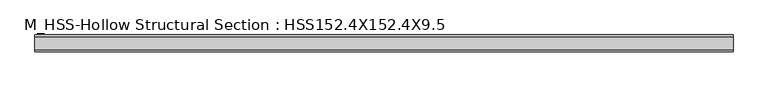
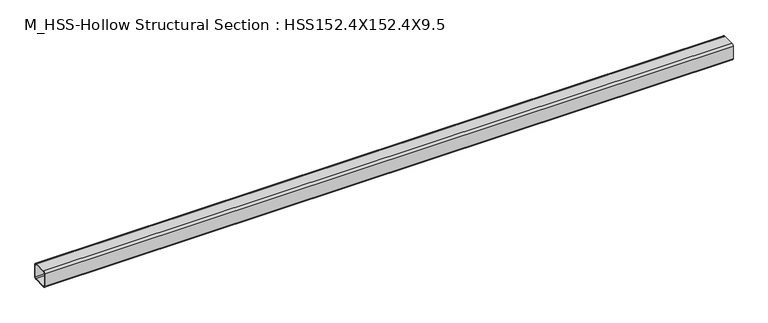
"""IFC4 building model written with IfcOpenShell, lengths in millimetres: member geometry, M_HSS-Hollow Structural Section : HSS152.4X152.4X9.5."""

from ifc_helpers import new_model, si_unit, point, frame, frame_2d, origin, place, context, project, spatial, polyline, circle_curve, trimmed, segment, composite_curve, outline, extrude, source, transform, mapped, element, save


def m_hss_hollow_structural_section_hss152_4x152_4x9_5_4db84f6f(model_context):
    return source(origin(), model_context, "Body", "SweptSolid", [
        extrude(outline(composite_curve([segment(polyline([(76.0, 58.2), (76.0, -58.2)]), True, "CONTINUOUS"), segment(trimmed(circle_curve(frame_2d((58.2, -58.2)), 17.8), [point((76.0, -58.2))], [point((58.2, -76.0))], False, "CARTESIAN"), True, "CONTINUOUS"), segment(polyline([(58.2, -76.0), (-58.2, -76.0)]), True, "CONTINUOUS"), segment(trimmed(circle_curve(frame_2d((-58.2, -58.2)), 17.8), [point((-58.2, -76.0))], [point((-76.0, -58.2))], False, "CARTESIAN"), True, "CONTINUOUS"), segment(polyline([(-76.0, -58.2), (-76.0, 58.2)]), True, "CONTINUOUS"), segment(trimmed(circle_curve(frame_2d((-58.2, 58.2)), 17.8), [point((-76.0, 58.2))], [point((-58.2, 76.0))], False, "CARTESIAN"), True, "CONTINUOUS"), segment(polyline([(-58.2, 76.0), (58.2, 76.0)]), True, "CONTINUOUS"), segment(trimmed(circle_curve(frame_2d((58.2, 58.2)), 17.8), [point((58.2, 76.0))], [point((76.0, 58.2))], False, "CARTESIAN"), True, "CONTINUOUS")], self_intersect=False), holes=[composite_curve([segment(trimmed(circle_curve(frame_2d((-58.2, 58.2)), 8.9), [point((-58.2, 67.1))], [point((-67.1, 58.2))], True, "CARTESIAN"), True, "CONTINUOUS"), segment(polyline([(-67.1, 58.2), (-67.1, -58.2)]), True, "CONTINUOUS"), segment(trimmed(circle_curve(frame_2d((-58.2, -58.2)), 8.9), [point((-67.1, -58.2))], [point((-58.2, -67.1))], True, "CARTESIAN"), True, "CONTINUOUS"), segment(polyline([(-58.2, -67.1), (58.2, -67.1)]), True, "CONTINUOUS"), segment(trimmed(circle_curve(frame_2d((58.2, -58.2)), 8.9), [point((58.2, -67.1))], [point((67.1, -58.2))], True, "CARTESIAN"), True, "CONTINUOUS"), segment(polyline([(67.1, -58.2), (67.1, 58.2)]), True, "CONTINUOUS"), segment(trimmed(circle_curve(frame_2d((58.2, 58.2)), 8.9), [point((67.1, 58.2))], [point((58.2, 67.1))], True, "CARTESIAN"), True, "CONTINUOUS"), segment(polyline([(58.2, 67.1), (-58.2, 67.1)]), True, "CONTINUOUS")], self_intersect=False)]), frame((-3121.3094969, 0.0, 0.0), z_axis=(1.0, 0.0, 0.0), x_axis=(0.0, 1.0, 0.0)), (0.0, 0.0, 1.0), 6244.306079),
    ])


if __name__ == "__main__":
    model = new_model("IFC4")
    model_context = context("Model", 3, world=origin())
    ifc_project = project(units=[si_unit("LENGTHUNIT", "METRE", prefix="MILLI")], contexts=[model_context])
    site = spatial("IfcSite", under=ifc_project)
    building = spatial("IfcBuilding", under=site)
    placement = place(None, origin())
    m_hss_hollow_structural_section_hss152_4x152_4x9_5_shape = m_hss_hollow_structural_section_hss152_4x152_4x9_5_4db84f6f(model_context)
    element("IfcMember", 1, ObjectType="M_HSS-Hollow Structural Section : HSS152.4X152.4X9.5", at=placement, inside=building, context=model_context, shape_type="MappedRepresentation", body=[
        mapped(m_hss_hollow_structural_section_hss152_4x152_4x9_5_shape, transform((0.0, 0.0, 0.0), x_axis=(1.0, 0.0, 0.0), y_axis=(0.0, 1.0, 0.0), z_axis=(0.0, 0.0, 1.0))),
    ])
    save(model, "model.ifc")
